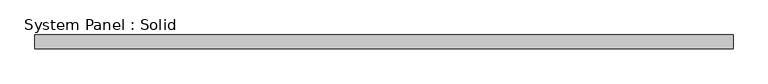
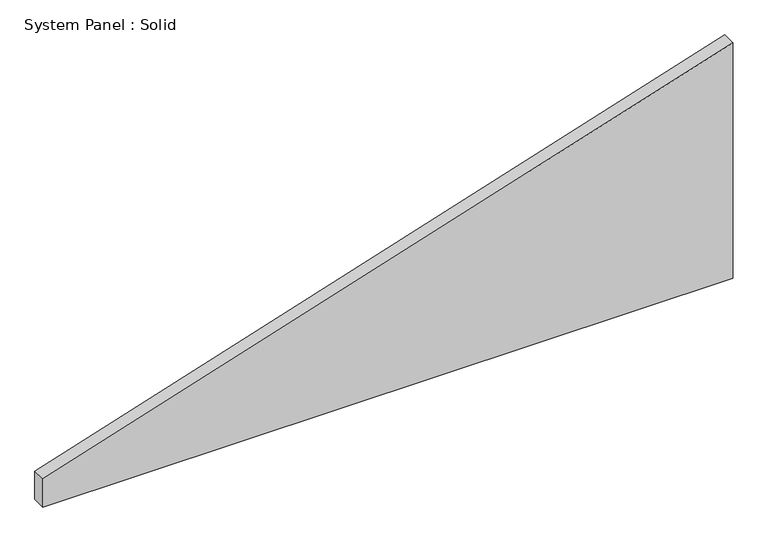
"""IFC4 building model written with IfcOpenShell, lengths in millimetres: plate geometry, System Panel : Solid."""

from ifc_helpers import new_model, si_unit, frame, origin, place, context, project, spatial, polyline, outline, extrude, source, transform, mapped, element, save


def system_panel_solid_acce2484(model_context):
    return source(origin(), model_context, "Body", "SweptSolid", [
        extrude(outline(polyline([(0.0, -1500.0), (0.0, 1500.0), (1082.7711804, 1500.0), (129.1299381, -1500.0), (0.0, -1500.0)])), frame((0.0, -10.5, 0.0), z_axis=(0.0, 1.0, 0.0), x_axis=(0.0, 0.0, 1.0)), (0.0, 0.0, 1.0), 60.0),
    ])


if __name__ == "__main__":
    model = new_model("IFC4")
    model_context = context("Model", 3, world=origin())
    ifc_project = project(units=[si_unit("LENGTHUNIT", "METRE", prefix="MILLI")], contexts=[model_context])
    site = spatial("IfcSite", under=ifc_project)
    building = spatial("IfcBuilding", under=site)
    placement = place(None, origin())
    system_panel_solid_shape = system_panel_solid_acce2484(model_context)
    element("IfcPlate", 1, ObjectType="System Panel : Solid", at=placement, inside=building, context=model_context, shape_type="MappedRepresentation", body=[
        mapped(system_panel_solid_shape, transform((0.0, 0.0, 0.0), x_axis=(1.0, 0.0, 0.0), y_axis=(0.0, 1.0, 0.0), z_axis=(0.0, 0.0, 1.0))),
    ])
    save(model, "model.ifc")
